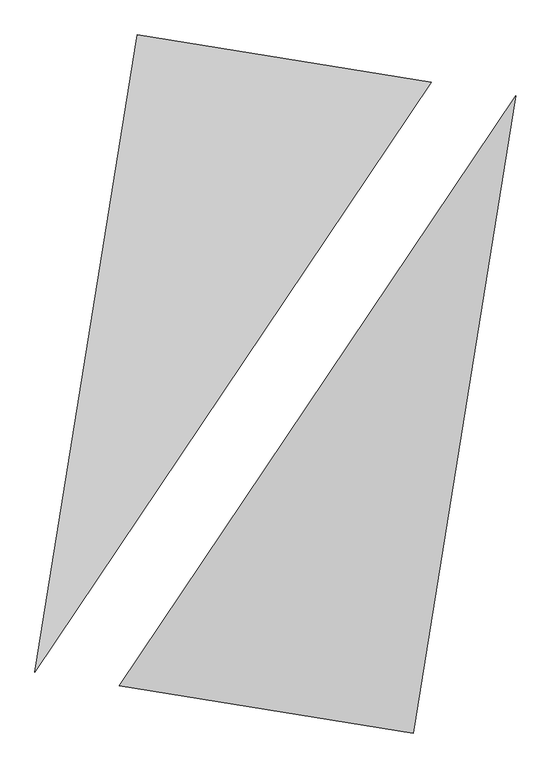
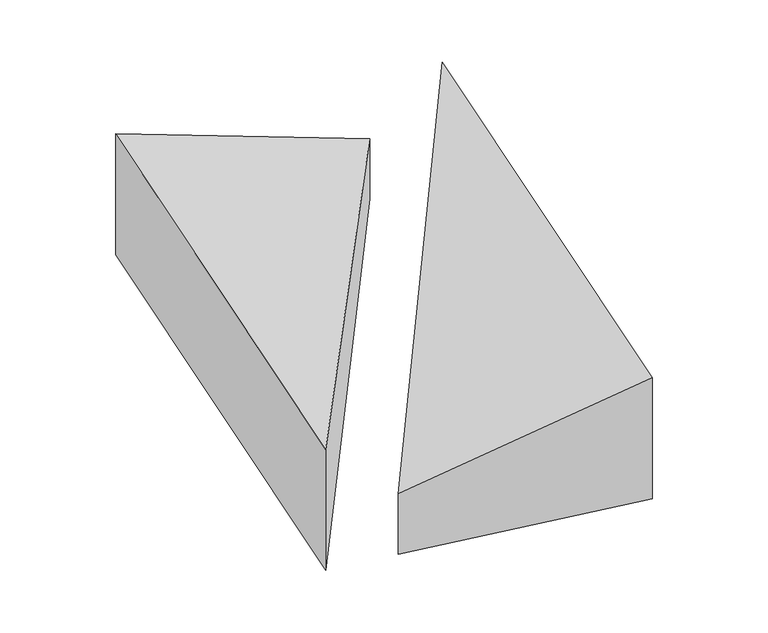
"""IFC4 building model written with IfcOpenShell, lengths in millimetres: proxy geometry."""

from ifc_helpers import new_model, si_unit, origin, place, context, project, spatial, faceted_brep, source, transform, mapped, element, save


def generic_models_a0a83f97(model_context):
    return source(origin(), model_context, "Body", "Brep", [
        faceted_brep([(966.4862123, 1870.6191795, 0.0), (-856.0170022, 2162.7277087, 0.0), (-856.0170022, 2162.7277087, 1000.0), (966.4862123, 1870.6191795, 500.0), (-1489.0524341, -1786.862921, 0.0), (-1489.0524341, -1786.862921, 1000.0)], [[[0, 1, 2, 3]], [[1, 4, 5, 2]], [[4, 0, 3, 5]], [[3, 2, 5]], [[0, 4, 1]]]),
        faceted_brep([(856.0170022, -2162.7277087, 0.0), (1489.0524341, 1786.862921, 0.0), (1489.0524341, 1786.862921, 1000.0), (856.0170022, -2162.7277087, 1000.0), (-966.4862123, -1870.6191795, 0.0), (-966.4862123, -1870.6191795, 500.0)], [[[0, 1, 2, 3]], [[1, 4, 5, 2]], [[4, 0, 3, 5]], [[2, 5, 3]], [[0, 4, 1]]]),
    ])


if __name__ == "__main__":
    model = new_model("IFC4")
    model_context = context("Model", 3, world=origin())
    ifc_project = project(units=[si_unit("LENGTHUNIT", "METRE", prefix="MILLI")], contexts=[model_context])
    site = spatial("IfcSite", under=ifc_project)
    building = spatial("IfcBuilding", under=site)
    placement = place(None, origin())
    generic_models_shape = generic_models_a0a83f97(model_context)
    element("IfcBuildingElementProxy", 1, Name="Generic Models", at=placement, inside=building, context=model_context, shape_type="MappedRepresentation", body=[
        mapped(generic_models_shape, transform((0.0, 0.0, 0.0), x_axis=(1.0, 0.0, 0.0), y_axis=(0.0, 1.0, 0.0), z_axis=(0.0, 0.0, 1.0))),
    ])
    save(model, "model.ifc")
